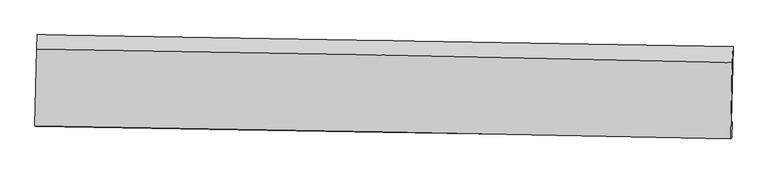
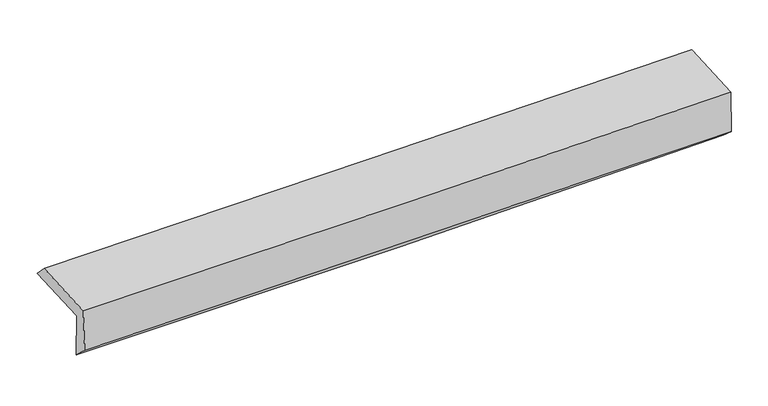
"""IFC4 building model written with IfcOpenShell, lengths in millimetres: proxy geometry."""

from ifc_helpers import new_model, si_unit, frame, origin, place, context, project, spatial, source, transform, mapped, element, save
from ifc_brep_helpers import plane_surface, spline_curve, spline_surface, advanced_brep


def generic_models_c2241177(model_context):
    return source(origin(), model_context, "Body", "AdvancedBrep", [
        advanced_brep(
        [(-3026.4333957, -1763.9608477, 1964.1243694), (-3011.6364856, -1094.4721744, 1979.220607), (3015.9032138, -1195.1982356, 2123.5530205), (3001.2128324, -1859.8669997, 2108.5654666), (-3016.78334, -1744.4636121, 1560.6178105), (3010.6529762, -1850.9480332, 1703.7737476), (-3023.1145867, -1887.9230165, 1695.8651862), (3004.7595217, -1990.0725975, 1824.134455), (-3031.9892751, -1884.3943958, 2088.2159712), (2995.3426869, -1998.9695418, 2227.9266882), (-3017.2596111, -1217.9482883, 2103.2436022), (3009.9943716, -1336.051616, 2242.8747626)],
        [
            (0, 1),
            (1, 2, spline_curve(3, [(-3011.6364856, -1094.4721744, 1979.220607), (-2006.848414803, -1112.723162036, 1993.162878551), (-1002.159607859, -1130.242491097, 2012.161708572), (1007.020292398, -1163.817846298, 2060.272504909), (2011.51138483, -1179.87387087, 2089.384479281), (3015.9032138, -1195.1982356, 2123.5530205)], [4, 2, 4], [0.0, 9.892079353537133, 19.78416671790215])),
            (2, 3),
            (3, 0, spline_curve(3, [(3001.2128324, -1859.8669997, 2108.5654666), (1996.923944778, -1839.885041258, 2074.501949013), (992.475445146, -1821.90188008, 2045.433429569), (-1016.739964393, -1789.933166064, 1997.286405126), (-2021.506874041, -1775.947609809, 1978.20789259), (-3026.4333957, -1763.9608477, 1964.1243694)], [4, 2, 4], [0.0, 9.892087364365016, 19.78416671790215])),
            (4, 0),
            (3, 5),
            (5, 4, spline_curve(3, [(3010.6529762, -1850.9480332, 1703.7737476), (2006.381109592, -1832.679986585, 1667.266017665), (1001.958613084, -1814.672258054, 1637.082489086), (-1007.186825959, -1779.177451519, 1589.363853635), (-2011.909768138, -1761.690373101, 1571.82873648), (-3016.78334, -1744.4636121, 1560.6178105)], [4, 2, 4], [0.0, 9.892101898470733, 19.78419578610181])),
            (6, 4),
            (5, 7),
            (7, 6, spline_curve(3, [(3004.7595217, -1990.0725975, 1824.134455), (2000.035668732, -1974.192192685, 1805.064921589), (995.350696737, -1957.739521704, 1784.841044222), (-1013.940672952, -1923.689660283, 1742.084619691), (-2018.547069916, -1906.09247119, 1719.552073801), (-3023.1145867, -1887.9230165, 1695.8651862)], [4, 2, 4], [0.0, 9.891914783584108, 19.783821556480092])),
            (8, 6),
            (7, 9),
            (9, 8, spline_curve(3, [(2995.3426869, -1998.9695418, 2227.9266882), (1991.003024732, -1976.92132979, 2198.13550222), (986.555326544, -1956.349291492, 2171.597346123), (-1022.555327633, -1918.157578572, 2125.027112134), (-2027.218283595, -1900.537901409, 2104.995029424), (-3031.9892751, -1884.3943958, 2088.2159712)], [4, 2, 4], [0.0, 9.89185183588344, 19.783695661129734])),
            (10, 8),
            (9, 11),
            (11, 10, spline_curve(3, [(3009.9943716, -1336.051616, 2242.8747626), (2005.696178252, -1312.127131033, 2213.125884509), (1001.275713007, -1290.322941291, 2186.615511922), (-1007.808947906, -1250.955169049, 2140.071797124), (-2012.473143733, -1233.391582637, 2120.038449427), (-3017.2596111, -1217.9482883, 2103.2436022)], [4, 2, 4], [0.0, 9.891870657430259, 19.78373330420813])),
            (1, 10),
            (11, 2),
        ],
        [
            spline_surface(3, 3, [[(-3026.4333957, -1763.9608477, 1964.1243694), (-2021.506874148, -1775.947609741, 1978.207892438), (-1016.739964441, -1789.933166022, 1997.286405197), (992.475445195, -1821.901880123, 2045.433429498), (1996.923944832, -1839.885041165, 2074.501949156), (3001.2128324, -1859.8669997, 2108.5654666)], [(-3021.501092313, -1540.797956622, 1969.156448594), (-2016.620720999, -1554.872793876, 1983.192887819), (-1011.879845549, -1570.036274443, 2002.244839673), (997.323727532, -1602.540535481, 2050.379787977), (2001.786424903, -1619.881317701, 2079.462792575), (3006.109626218, -1638.310745012, 2113.5613179)], [(-3016.568788987, -1317.635065478, 1974.188527806), (-2011.73456791, -1333.797977944, 1988.177883218), (-1007.019726608, -1350.13938282, 2007.20327411), (1002.172009917, -1383.179190796, 2055.326146416), (2006.648904921, -1399.8775942, 2084.423635993), (3011.006419982, -1416.754490288, 2118.5571692)], [(-3011.6364856, -1094.4721744, 1979.220607), (-2006.848414761, -1112.723162079, 1993.162878599), (-1002.159607715, -1130.242491241, 2012.161708586), (1007.020292254, -1163.817846154, 2060.272504894), (2011.511384991, -1179.873870735, 2089.384479412), (3015.9032138, -1195.1982356, 2123.5530205)]], [4, 4], [4, 2, 4], [0.0, 2.1627811957552234], [0.0, 9.892079353537133, 19.78416671790215]),
            spline_surface(3, 3, [[(-3016.78334, -1744.4636121, 1560.6178105), (-2011.909768199, -1761.690372963, 1571.828736531), (-1007.186825925, -1779.177451477, 1589.363853632), (1001.95861305, -1814.672258095, 1637.08248909), (2006.381109515, -1832.679986602, 1667.266017687), (3010.6529762, -1850.9480332, 1703.7737476)], [(-3020.000025245, -1750.96269061, 1695.11999679), (-2015.108803527, -1766.442785199, 1707.288455156), (-1010.371205408, -1782.762689653, 1725.338037481), (998.79755712, -1817.082132098, 1773.19946922), (2003.22872129, -1835.081671433, 1803.011328157), (3007.506261603, -1853.92102201, 1838.70432058)], [(-3023.216710455, -1757.46176919, 1829.62218311), (-2018.30783882, -1771.195197505, 1842.748173812), (-1013.555584958, -1786.347927847, 1861.312221348), (995.636501124, -1819.49200612, 1909.316449368), (2000.076333057, -1837.483356335, 1938.756638686), (3004.359546997, -1856.89401089, 1973.63489362)], [(-3026.4333957, -1763.9608477, 1964.1243694), (-2021.506874148, -1775.947609741, 1978.207892438), (-1016.739964441, -1789.933166022, 1997.286405197), (992.475445195, -1821.901880123, 2045.433429498), (1996.923944832, -1839.885041165, 2074.501949156), (3001.2128324, -1859.8669997, 2108.5654666)]], [4, 4], [4, 2, 4], [0.0, 1.3397203028225073], [0.0, 9.892093887631079, 19.78419578610181]),
            spline_surface(3, 3, [[(-3023.1145867, -1887.9230165, 1695.8651862), (-2018.547070048, -1906.09247114, 1719.552073822), (-1013.940672804, -1923.689660361, 1742.084619565), (995.350696588, -1957.739521626, 1784.841044347), (2000.035668834, -1974.192192728, 1805.064921579), (3004.7595217, -1990.0725975, 1824.134455)], [(-3021.00417114, -1840.103215039, 1650.782727626), (-2016.334636105, -1857.95843842, 1670.310961384), (-1011.689390533, -1875.518924076, 1691.177697584), (997.553335387, -1910.050433792, 1735.588192592), (2002.150815729, -1927.02145736, 1759.131953629), (3006.724006535, -1943.69774274, 1784.014219214)], [(-3018.89375556, -1792.283413561, 1605.700269074), (-2014.122202142, -1809.824405682, 1621.069848969), (-1009.438108196, -1827.348187763, 1640.270775613), (999.755974251, -1862.361345929, 1686.335340845), (2004.265962619, -1879.850721971, 1713.198985636), (3008.688491365, -1897.32288796, 1743.893983386)], [(-3016.78334, -1744.4636121, 1560.6178105), (-2011.909768199, -1761.690372963, 1571.828736531), (-1007.186825925, -1779.177451477, 1589.363853632), (1001.95861305, -1814.672258095, 1637.08248909), (2006.381109515, -1832.679986602, 1667.266017687), (3010.6529762, -1850.9480332, 1703.7737476)]], [4, 4], [4, 2, 4], [0.0, 0.682636097293798], [0.0, 9.891906772895984, 19.783821556480092]),
            spline_surface(3, 3, [[(-3031.9892751, -1884.3943958, 2088.2159712), (-2027.218283583, -1900.537901435, 2104.995029453), (-1022.555327627, -1918.157578554, 2125.027112261), (986.555326538, -1956.349291511, 2171.597345996), (1991.003024602, -1976.921329696, 2198.135502181), (2995.3426869, -1998.9695418, 2227.9266882)], [(-3029.031045633, -1885.570602713, 1957.432376219), (-2024.327879071, -1902.389424683, 1976.514044262), (-1019.683775997, -1920.001605801, 1997.379614681), (989.487116577, -1956.812701527, 2042.678578764), (1994.013906011, -1976.011617377, 2067.111975309), (2998.481631832, -1996.003893703, 2093.329277128)], [(-3026.072816167, -1886.746809587, 1826.648781181), (-2021.43747456, -1904.240947892, 1848.033059013), (-1016.812224434, -1921.845633114, 1869.732117146), (992.418906549, -1957.276111609, 1913.759811579), (1997.024787425, -1975.101905047, 1936.088448451), (3001.620576768, -1993.038245597, 1958.731866072)], [(-3023.1145867, -1887.9230165, 1695.8651862), (-2018.547070048, -1906.09247114, 1719.552073822), (-1013.940672804, -1923.689660361, 1742.084619565), (995.350696588, -1957.739521626, 1784.841044347), (2000.035668834, -1974.192192728, 1805.064921579), (3004.7595217, -1990.0725975, 1824.134455)]], [4, 4], [4, 2, 4], [0.0, 1.2630032689963144], [0.0, 9.891843825246294, 19.783695661129734]),
            spline_surface(3, 3, [[(-3017.2596111, -1217.9482883, 2103.2436022), (-2012.473143647, -1233.391582623, 2120.038449453), (-1007.808948011, -1250.95516893, 2140.071797084), (1001.275713112, -1290.322941411, 2186.615511962), (2005.696178326, -1312.127130974, 2213.125884484), (3009.9943716, -1336.051616, 2242.8747626)], [(-3022.169499085, -1440.096990796, 2098.234391849), (-2017.388190277, -1455.773688889, 2115.023976102), (-1012.724407879, -1473.355972161, 2135.056902137), (996.368917592, -1512.331724801, 2181.609456634), (2000.798460398, -1533.72519721, 2208.129090379), (3005.11047668, -1557.024257928, 2237.892071129)], [(-3027.079387115, -1662.245693304, 2093.225181551), (-2022.303236952, -1678.155795169, 2110.009502804), (-1017.63986776, -1695.756775322, 2130.042007208), (991.462122058, -1734.340508121, 2176.603401323), (1995.900742531, -1755.32326346, 2203.132296286), (3000.22658182, -1777.996899872, 2232.909379671)], [(-3031.9892751, -1884.3943958, 2088.2159712), (-2027.218283583, -1900.537901435, 2104.995029453), (-1022.555327627, -1918.157578554, 2125.027112261), (986.555326538, -1956.349291511, 2171.597345996), (1991.003024602, -1976.921329696, 2198.135502181), (2995.3426869, -1998.9695418, 2227.9266882)]], [4, 4], [4, 2, 4], [0.0, 2.188144963861065], [0.0, 9.891862646777872, 19.78373330420813]),
            spline_surface(3, 3, [[(-3011.6364856, -1094.4721744, 1979.220607), (-2006.848414761, -1112.723162079, 1993.162878599), (-1002.159607715, -1130.242491241, 2012.161708586), (1007.020292254, -1163.817846154, 2060.272504894), (2011.511384991, -1179.873870735, 2089.384479412), (3015.9032138, -1195.1982356, 2123.5530205)], [(-3013.510860783, -1135.630879019, 2020.561605422), (-2008.723324406, -1152.945968913, 2035.454735572), (-1004.042721158, -1170.480050451, 2054.798404769), (1005.105432529, -1205.98621122, 2102.3868406), (2009.572982769, -1223.958290821, 2130.63161445), (3013.933599733, -1242.149362406, 2163.326934547)], [(-3015.385235917, -1176.789583681, 2061.902603778), (-2010.598234002, -1193.168775789, 2077.74659248), (-1005.925834568, -1210.71760972, 2097.435100902), (1003.190572837, -1248.154576345, 2144.501176256), (2007.634580548, -1268.042710888, 2171.878749446), (3011.963985667, -1289.100489194, 2203.100848553)], [(-3017.2596111, -1217.9482883, 2103.2436022), (-2012.473143647, -1233.391582623, 2120.038449453), (-1007.808948011, -1250.95516893, 2140.071797084), (1001.275713112, -1290.322941411, 2186.615511962), (2005.696178326, -1312.127130974, 2213.125884484), (3009.9943716, -1336.051616, 2242.8747626)]], [4, 4], [4, 2, 4], [0.0, 0.5820395996010094], [0.0, 9.891931586091841, 19.7838711828919]),
            plane_surface(frame((3006.3109338, -1705.184504, 2038.4713567), z_axis=(0.9994842106055348, -0.022604769048736588, 0.022810900168215013), x_axis=(0.023308997017298987, 0.022022139330515077, -0.9994857257796906))),
            plane_surface(frame((-3021.2027824, -1598.8603891, 1898.5479244), z_axis=(-0.9994842106055322, 0.022604769048740786, -0.02281090016833534), x_axis=(-0.022090799177001432, -0.999501900846397, -0.02253767503893815))),
        ],
        [
            (0, [[1, 2, 3, 4]]),
            (1, [[5, -4, 6, 7]]),
            (2, [[8, -7, 9, 10]]),
            (3, [[11, -10, 12, 13]]),
            (4, [[14, -13, 15, 16]]),
            (5, [[17, -16, 18, -2]]),
            (6, [[-12, -9, -6, -3, -18, -15]]),
            (7, [[-1, -5, -8, -11, -14, -17]]),
        ],
    ),
    ])


if __name__ == "__main__":
    model = new_model("IFC4")
    model_context = context("Model", 3, world=origin())
    ifc_project = project(units=[si_unit("LENGTHUNIT", "METRE", prefix="MILLI")], contexts=[model_context])
    site = spatial("IfcSite", under=ifc_project)
    building = spatial("IfcBuilding", under=site)
    placement = place(None, origin())
    generic_models_shape = generic_models_c2241177(model_context)
    element("IfcBuildingElementProxy", 1, Name="Generic Models", at=placement, inside=building, context=model_context, shape_type="MappedRepresentation", body=[
        mapped(generic_models_shape, transform((0.0, 0.0, 0.0), x_axis=(1.0, 0.0, 0.0), y_axis=(0.0, 1.0, 0.0), z_axis=(0.0, 0.0, 1.0))),
    ])
    save(model, "model.ifc")
